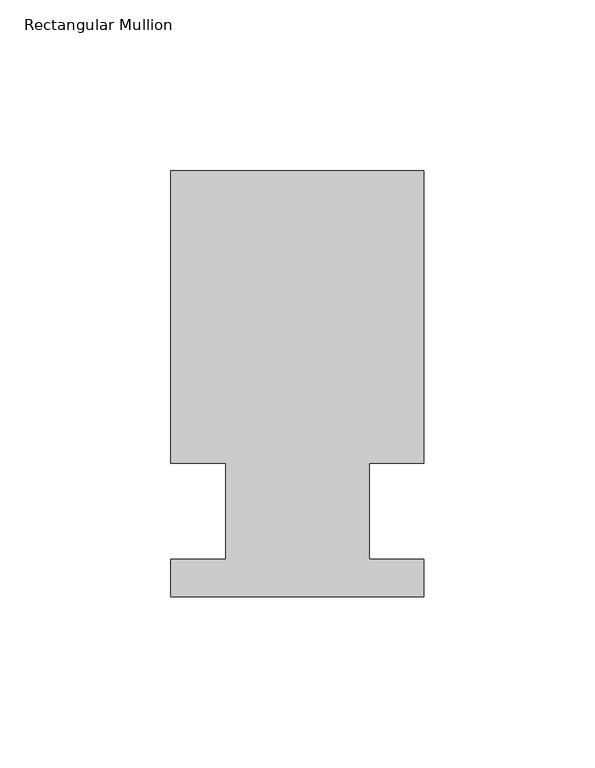
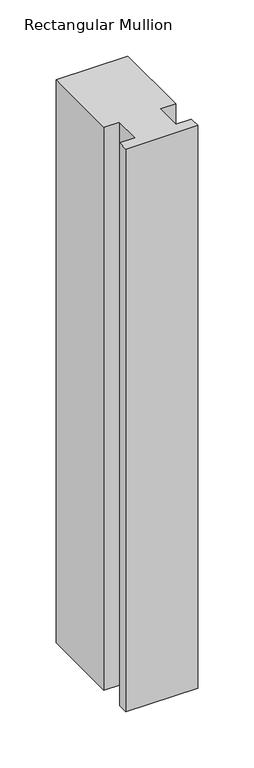
"""IFC4 building model written with IfcOpenShell, lengths in millimetres: member geometry, Rectangular Mullion."""

from ifc_helpers import new_model, si_unit, frame, origin, place, context, project, spatial, polyline, outline, extrude, source, transform, mapped, element, save


def rectangular_mullion_0a171a36(model_context):
    return source(origin(), model_context, "Body", "SweptSolid", [
        extrude(outline(polyline([(-20.9800745, 13.9998907), (-37.0, 13.9998907), (-37.0, 99.5), (37.0, 99.5), (37.0, 13.9998907), (20.9800745, 13.9998907), (20.9800745, -14.0), (36.9800745, -14.0), (36.9800745, -25.0), (-37.0, -25.0), (-37.0, -14.0), (-20.9800745, -14.0), (-20.9800745, 13.9998907)])), frame((0.0, 0.0, -613.2487586), z_axis=(0.0, 0.0, 1.0), x_axis=(1.0, 0.0, 0.0)), (0.0, 0.0, 1.0), 613.2487586),
    ])


if __name__ == "__main__":
    model = new_model("IFC4")
    model_context = context("Model", 3, world=origin())
    ifc_project = project(units=[si_unit("LENGTHUNIT", "METRE", prefix="MILLI")], contexts=[model_context])
    site = spatial("IfcSite", under=ifc_project)
    building = spatial("IfcBuilding", under=site)
    placement = place(None, origin())
    rectangular_mullion_shape = rectangular_mullion_0a171a36(model_context)
    element("IfcMember", 1, ObjectType="Rectangular Mullion", at=placement, inside=building, context=model_context, shape_type="MappedRepresentation", body=[
        mapped(rectangular_mullion_shape, transform((0.0, 0.0, 0.0), x_axis=(1.0, 0.0, 0.0), y_axis=(0.0, 1.0, 0.0), z_axis=(0.0, 0.0, 1.0))),
    ])
    save(model, "model.ifc")
